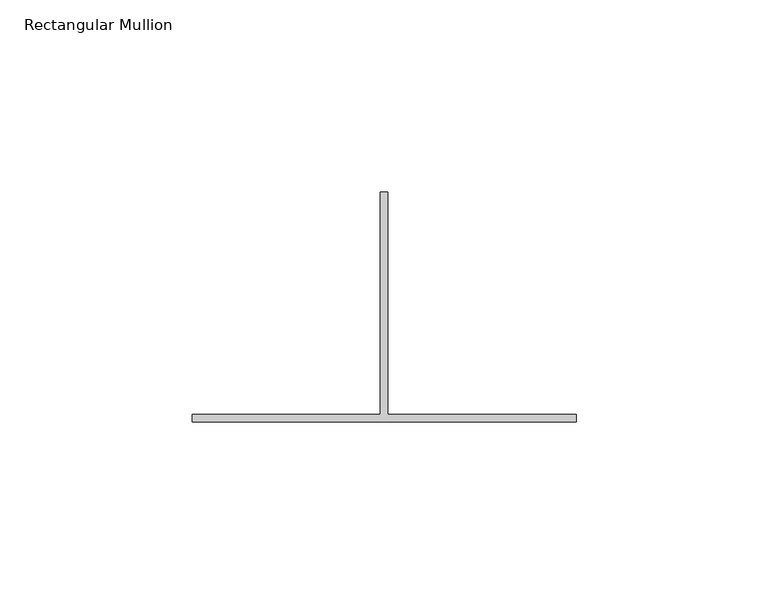
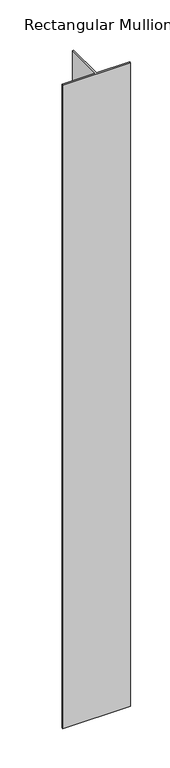
"""IFC4 building model written with IfcOpenShell, lengths in millimetres: member geometry, Rectangular Mullion."""

from ifc_helpers import new_model, si_unit, frame, origin, place, context, project, spatial, polyline, outline, extrude, source, transform, mapped, element, save


def rectangular_mullion_cf483ad7(model_context):
    return source(origin(), model_context, "Body", "SweptSolid", [
        extrude(outline(polyline([(49.0, -222.0), (-51.0, -222.0), (-51.0, -220.0), (-2.0, -220.0), (-2.0, -162.0), (0.0, -162.0), (0.0, -220.0), (49.0, -220.0), (49.0, -222.0)])), frame((0.0, 0.0, -1000.0), z_axis=(0.0, 0.0, 1.0), x_axis=(1.0, 0.0, 0.0)), (0.0, 0.0, 1.0), 1000.0),
    ])


if __name__ == "__main__":
    model = new_model("IFC4")
    model_context = context("Model", 3, world=origin())
    ifc_project = project(units=[si_unit("LENGTHUNIT", "METRE", prefix="MILLI")], contexts=[model_context])
    site = spatial("IfcSite", under=ifc_project)
    building = spatial("IfcBuilding", under=site)
    placement = place(None, origin())
    rectangular_mullion_shape = rectangular_mullion_cf483ad7(model_context)
    element("IfcMember", 1, ObjectType="Rectangular Mullion", at=placement, inside=building, context=model_context, shape_type="MappedRepresentation", body=[
        mapped(rectangular_mullion_shape, transform((0.0, 0.0, 0.0), x_axis=(1.0, 0.0, 0.0), y_axis=(0.0, 1.0, 0.0), z_axis=(0.0, 0.0, 1.0))),
    ])
    save(model, "model.ifc")
